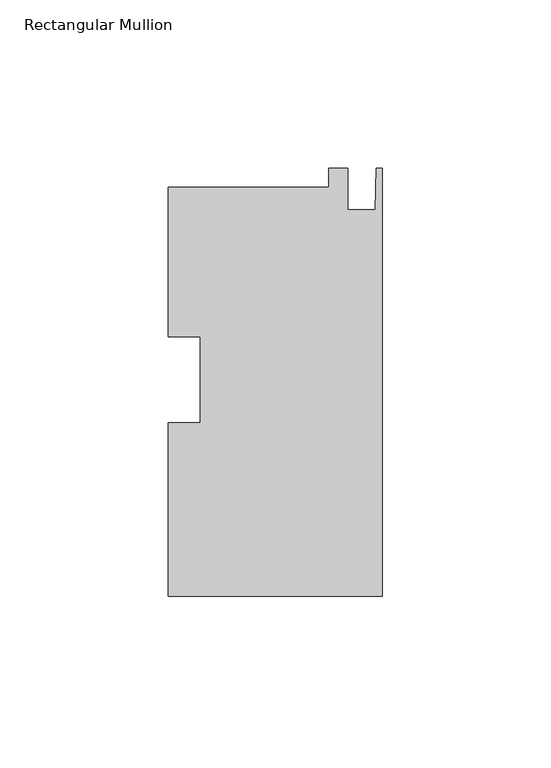
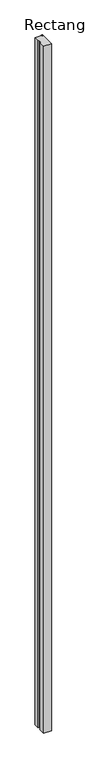
"""IFC4 building model written with IfcOpenShell, lengths in millimetres: member geometry, Rectangular Mullion."""

import ifcopenshell
import ifcopenshell.guid

model = None  # the IFC model being written
_history = None  # IfcOwnerHistory: only IFC2X3 demands one
_inside = {}  # id of a spatial element -> (the spatial element, [elements in it])
_under = {}  # id of a project, library or spatial element -> (it, [spatial elements below it])
_declared = {}  # id of a project -> (the project, [libraries it declares])
_typed = {}  # id of a type object -> (the type object, [elements of that type])
_made_of = {}  # id of a material, layer set ... -> (it, [elements and type objects made of it])


def new_model(schema):
    """Start an empty IFC model of exactly this schema.

    Asked for "IFC4X3", IfcOpenShell would pick the latest addendum, in which some entities
    have other attributes; the version numbers below select the first issue.
    IFC2X3 requires an IfcOwnerHistory on every rooted entity: one is made here for all.
    """
    global model, _history
    if schema == "IFC4X3":
        model = ifcopenshell.file(schema_version=(4, 3, 0, 0))
    else:
        model = ifcopenshell.file(schema=schema)
    _inside.clear()
    _under.clear()
    _declared.clear()
    _typed.clear()
    _made_of.clear()
    _history = None
    if model.schema == "IFC2X3":
        org = make("IfcOrganization", Name="unknown")
        user = make(
            "IfcPersonAndOrganization",
            ThePerson=make("IfcPerson", FamilyName="unknown"),
            TheOrganization=org,
        )
        app = make(
            "IfcApplication",
            ApplicationDeveloper=org,
            Version="unknown",
            ApplicationFullName="unknown",
            ApplicationIdentifier="unknown",
        )
        _history = make(
            "IfcOwnerHistory",
            OwningUser=user,
            OwningApplication=app,
            ChangeAction="ADDED",
            CreationDate=0,
        )
    return model


def make(cls, **values):
    """One entity of the class cls with the attributes given. An attribute that is None is left unset."""
    return model.create_entity(
        cls, **{name: value for name, value in values.items() if value is not None}
    )


def rooted(cls, **values):
    """An entity with a GlobalId (a new one), such as an element, a storey or a relation."""
    return make(cls, GlobalId=ifcopenshell.guid.new(), OwnerHistory=_history, **values)


def si_unit(unit_type, name, prefix=None):
    """IfcSIUnit, for example si_unit("LENGTHUNIT", "METRE", prefix="MILLI")."""
    return make("IfcSIUnit", UnitType=unit_type, Prefix=prefix, Name=name)


def assignment(units):
    """IfcUnitAssignment: the units of a project."""
    return None if units is None else make("IfcUnitAssignment", Units=units)


def point(xyz):
    """IfcCartesianPoint."""
    return None if xyz is None else make("IfcCartesianPoint", Coordinates=xyz)


def direction(xyz):
    """IfcDirection."""
    return None if xyz is None else make("IfcDirection", DirectionRatios=xyz)


def frame(location, z_axis=None, x_axis=None):
    """IfcAxis2Placement3D, a coordinate frame: its origin and axes. An axis left out is left unset."""
    return make(
        "IfcAxis2Placement3D",
        Location=point(location),
        Axis=direction(z_axis),
        RefDirection=direction(x_axis),
    )


def origin():
    """The frame at (0, 0, 0) with its axes left unset."""
    return frame((0.0, 0.0, 0.0))


def place(relative_to, where):
    """IfcLocalPlacement: puts the frame where relative to a parent placement (None: the world)."""
    return make(
        "IfcLocalPlacement", PlacementRelTo=relative_to, RelativePlacement=where
    )


def context(
    kind, dimensions, precision=None, world=None, true_north=None, identifier=None
):
    """IfcGeometricRepresentationContext, for example the 3D "Model" context."""
    return make(
        "IfcGeometricRepresentationContext",
        ContextIdentifier=identifier,
        ContextType=kind,
        CoordinateSpaceDimension=dimensions,
        Precision=precision,
        WorldCoordinateSystem=world,
        TrueNorth=true_north,
    )


def project(units=None, contexts=None):
    """IfcProject with its units and contexts."""
    return rooted(
        "IfcProject",
        Name="project",
        RepresentationContexts=contexts,
        UnitsInContext=assignment(units),
    )


def spatial(cls, under=None, at=None, **own):
    """A site, building, storey or space (cls), placed at a placement, below another one or the project."""
    s = rooted(cls, ObjectPlacement=at, **own)
    if under is not None:
        _under.setdefault(under.id(), (under, []))[1].append(s)
    return s


def polyline(points):
    """IfcPolyline through the points."""
    return make("IfcPolyline", Points=[point(p) for p in points])


def outline(outer, holes=None, kind="AREA"):
    """IfcArbitraryClosedProfileDef: a profile drawn as a closed curve; with holes, ...WithVoids."""
    if holes is None:
        return make("IfcArbitraryClosedProfileDef", ProfileType=kind, OuterCurve=outer)
    return make(
        "IfcArbitraryProfileDefWithVoids",
        ProfileType=kind,
        OuterCurve=outer,
        InnerCurves=holes,
    )


def extrude(swept, where, along, depth):
    """IfcExtrudedAreaSolid: the profile swept, set in the frame where, extruded along a direction by depth."""
    return make(
        "IfcExtrudedAreaSolid",
        SweptArea=swept,
        Position=where,
        ExtrudedDirection=direction(along),
        Depth=depth,
    )


def shape(context_of_items, identifier, shape_type, items):
    """IfcShapeRepresentation: the items that make up one representation, for example the "Body"."""
    return make(
        "IfcShapeRepresentation",
        ContextOfItems=context_of_items,
        RepresentationIdentifier=identifier,
        RepresentationType=shape_type,
        Items=items,
    )


def source(mapping_origin, context_of_items, identifier, shape_type, items):
    """IfcRepresentationMap: a shape defined once, which mapped items show again and again."""
    return make(
        "IfcRepresentationMap",
        MappingOrigin=mapping_origin,
        MappedRepresentation=shape(context_of_items, identifier, shape_type, items),
    )


def transform(
    local_origin,
    x_axis=None,
    y_axis=None,
    z_axis=None,
    scale=None,
    scale2=None,
    scale3=None,
    uniform=True,
):
    """IfcCartesianTransformationOperator3D, or its non-uniform kind. x_axis, y_axis, z_axis: its Axis1, 2, 3."""
    if uniform:
        return make(
            "IfcCartesianTransformationOperator3D",
            Axis1=direction(x_axis),
            Axis2=direction(y_axis),
            LocalOrigin=point(local_origin),
            Scale=scale,
            Axis3=direction(z_axis),
        )
    return make(
        "IfcCartesianTransformationOperator3DnonUniform",
        Axis1=direction(x_axis),
        Axis2=direction(y_axis),
        LocalOrigin=point(local_origin),
        Scale=scale,
        Axis3=direction(z_axis),
        Scale2=scale2,
        Scale3=scale3,
    )


def mapped(mapping_source, mapping_target):
    """IfcMappedItem: shows the shape of a source again, moved by a transform."""
    return make(
        "IfcMappedItem", MappingSource=mapping_source, MappingTarget=mapping_target
    )


def made_of(thing, what):
    """Note that an element or type object is made of a material, layer set ...; save() writes the relation."""
    if what is not None:
        _made_of.setdefault(what.id(), (what, []))[1].append(thing)
    return thing


def element(
    cls,
    number,
    at=None,
    inside=None,
    cuts=None,
    type_object=None,
    material=None,
    context=None,
    identifier="Body",
    shape_type=None,
    held_by="IfcProductDefinitionShape",
    body=None,
    shapes=None,
    **own,
):
    """One element of the class cls, such as IfcWall. Its Tag is "e" and its number.

    at: its placement. inside: the storey or other place that contains it. cuts: it is an
    opening in that element (IfcRelVoidsElement). A single representation is given by context,
    identifier, shape_type and body (its items); several are given by shapes. held_by: the class
    of the entity that holds the representations. save() writes the other relations.
    """
    e = rooted(cls, Tag="e%d" % number, ObjectPlacement=at, **own)
    if body is not None:
        shapes = [shape(context, identifier, shape_type, body)]
    if shapes is not None:
        e.Representation = make(held_by, Representations=shapes)
    if inside is not None:
        _inside.setdefault(inside.id(), (inside, []))[1].append(e)
    if cuts is not None:
        rooted(
            "IfcRelVoidsElement", RelatingBuildingElement=cuts, RelatedOpeningElement=e
        )
    if type_object is not None:
        _typed.setdefault(type_object.id(), (type_object, []))[1].append(e)
    return made_of(e, material)


def aggregate(whole, parts):
    """IfcRelAggregates: a whole, such as a stair, and the parts it consists of."""
    return rooted("IfcRelAggregates", RelatingObject=whole, RelatedObjects=parts)


def save(model, path):
    """Write the relations noted so far, then the file.

    IfcRelAggregates (storeys below a building ...), IfcRelContainedInSpatialStructure (elements
    in a storey), IfcRelDefinesByType, IfcRelAssociatesMaterial and IfcRelDeclares: one each for
    every whole, place, type object, material and project.
    """
    for whole, parts in _under.values():
        aggregate(whole, parts)
    for where, things in _inside.values():
        rooted(
            "IfcRelContainedInSpatialStructure",
            RelatedElements=things,
            RelatingStructure=where,
        )
    for kind, things in _typed.values():
        rooted("IfcRelDefinesByType", RelatedObjects=things, RelatingType=kind)
    for what, things in _made_of.values():
        rooted("IfcRelAssociatesMaterial", RelatedObjects=things, RelatingMaterial=what)
    for by, libraries in _declared.values():
        rooted("IfcRelDeclares", RelatingContext=by, RelatedDefinitions=libraries)
    model.write(path)


def rectangular_mullion_b425154f(model_context):
    return source(origin(), model_context, "Body", "SweptSolid", [
        extrude(outline(polyline([(0.0, -64.3020293), (-63.5, -64.3020293), (-63.5, -12.7695684), (-53.975, -12.7695684), (-53.975, 12.7181299), (-63.5, 12.7181299), (-63.5, 57.1353707), (-15.8694428, 57.1353707), (-15.8694428, 62.6979707), (-10.3124, 62.6979707), (-10.3124, 50.3535707), (-2.032, 50.3535707), (-1.778, 62.6979707), (0.0, 62.6979707), (0.0, -64.3020293)])), frame((0.0, 0.0, -5976.9375), z_axis=(0.0, 0.0, 1.0), x_axis=(1.0, 0.0, 0.0)), (0.0, 0.0, 1.0), 5976.9375),
    ])


if __name__ == "__main__":
    model = new_model("IFC4")
    model_context = context("Model", 3, world=origin())
    ifc_project = project(units=[si_unit("LENGTHUNIT", "METRE", prefix="MILLI")], contexts=[model_context])
    site = spatial("IfcSite", under=ifc_project)
    building = spatial("IfcBuilding", under=site)
    placement = place(None, origin())
    rectangular_mullion_shape = rectangular_mullion_b425154f(model_context)
    element("IfcMember", 1, ObjectType="Rectangular Mullion", at=placement, inside=building, context=model_context, shape_type="MappedRepresentation", body=[
        mapped(rectangular_mullion_shape, transform((0.0, 0.0, 0.0), x_axis=(1.0, 0.0, 0.0), y_axis=(0.0, 1.0, 0.0), z_axis=(0.0, 0.0, 1.0))),
    ])
    save(model, "model.ifc")
